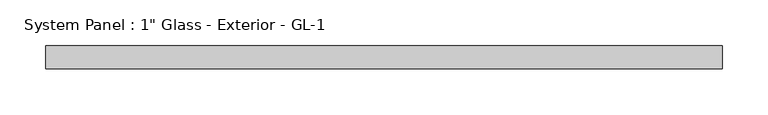
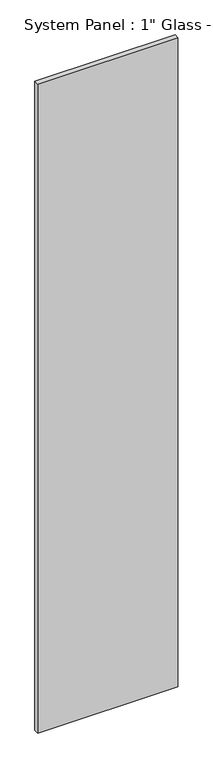
"""IFC4 building model written with IfcOpenShell, lengths in millimetres: plate geometry."""

from ifc_helpers import new_model, si_unit, origin, origin_with_axes, place, context, project, spatial, polyline, outline, extrude, source, transform, mapped, element, save


def plate_a50c4586(model_context):
    return source(origin(), model_context, "Body", "SweptSolid", [
        extrude(outline(polyline([(371.475, 12.7), (-371.475, 12.7), (-371.475, 38.1), (371.475, 38.1), (371.475, 12.7)])), origin_with_axes(), (0.0, 0.0, 1.0), 3638.55),
    ])


if __name__ == "__main__":
    model = new_model("IFC4")
    model_context = context("Model", 3, world=origin())
    ifc_project = project(units=[si_unit("LENGTHUNIT", "METRE", prefix="MILLI")], contexts=[model_context])
    site = spatial("IfcSite", under=ifc_project)
    building = spatial("IfcBuilding", under=site)
    placement = place(None, origin())
    plate_shape = plate_a50c4586(model_context)
    element("IfcPlate", 1, ObjectType="System Panel : 1\" Glass - Exterior - GL-1", at=placement, inside=building, context=model_context, shape_type="MappedRepresentation", body=[
        mapped(plate_shape, transform((0.0, 0.0, 0.0), x_axis=(1.0, 0.0, 0.0), y_axis=(0.0, 1.0, 0.0), z_axis=(0.0, 0.0, 1.0))),
    ])
    save(model, "model.ifc")
